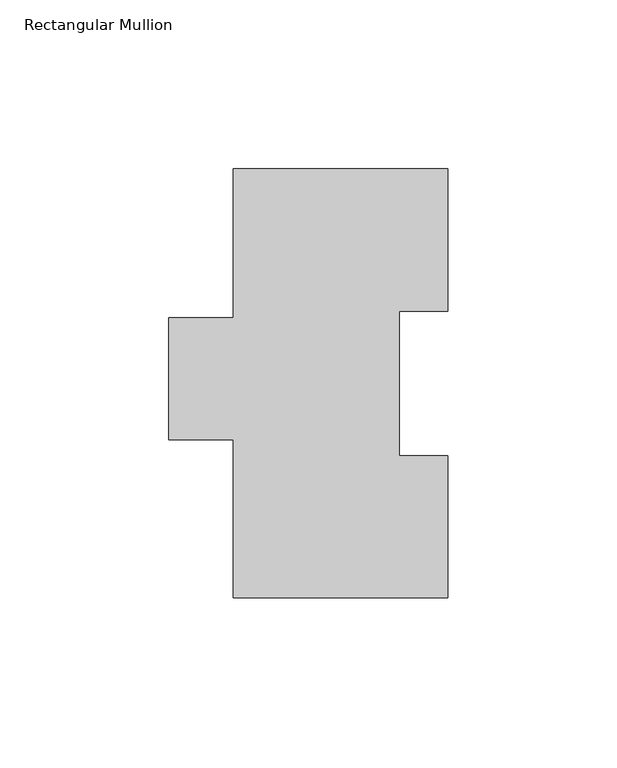
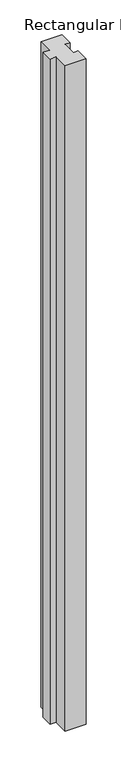
"""IFC4 building model written with IfcOpenShell, lengths in millimetres: member geometry, Rectangular Mullion."""

from ifc_helpers import new_model, si_unit, frame, origin, place, context, project, spatial, polyline, outline, extrude, source, transform, mapped, element, save


def rectangular_mullion_7bdaae97(model_context):
    return source(origin(), model_context, "Body", "SweptSolid", [
        extrude(outline(polyline([(-31.75, 127.00635), (31.7502713, 127.00635), (31.7502713, 84.93125), (17.4622287, 84.93125), (17.4622287, 42.08145), (31.7497287, 42.08145), (31.7497287, 0.00635), (-31.75, 0.00635), (-31.75, 46.8376), (-50.8002713, 46.8376), (-50.8002713, 82.9313681), (-31.75, 82.9313681), (-31.75, 127.00635)])), frame((0.0, 0.0, -2133.6), z_axis=(0.0, 0.0, 1.0), x_axis=(1.0, 0.0, 0.0)), (0.0, 0.0, 1.0), 2133.6),
    ])


if __name__ == "__main__":
    model = new_model("IFC4")
    model_context = context("Model", 3, world=origin())
    ifc_project = project(units=[si_unit("LENGTHUNIT", "METRE", prefix="MILLI")], contexts=[model_context])
    site = spatial("IfcSite", under=ifc_project)
    building = spatial("IfcBuilding", under=site)
    placement = place(None, origin())
    rectangular_mullion_shape = rectangular_mullion_7bdaae97(model_context)
    element("IfcMember", 1, ObjectType="Rectangular Mullion", at=placement, inside=building, context=model_context, shape_type="MappedRepresentation", body=[
        mapped(rectangular_mullion_shape, transform((0.0, 0.0, 0.0), x_axis=(1.0, 0.0, 0.0), y_axis=(0.0, 1.0, 0.0), z_axis=(0.0, 0.0, 1.0))),
    ])
    save(model, "model.ifc")
